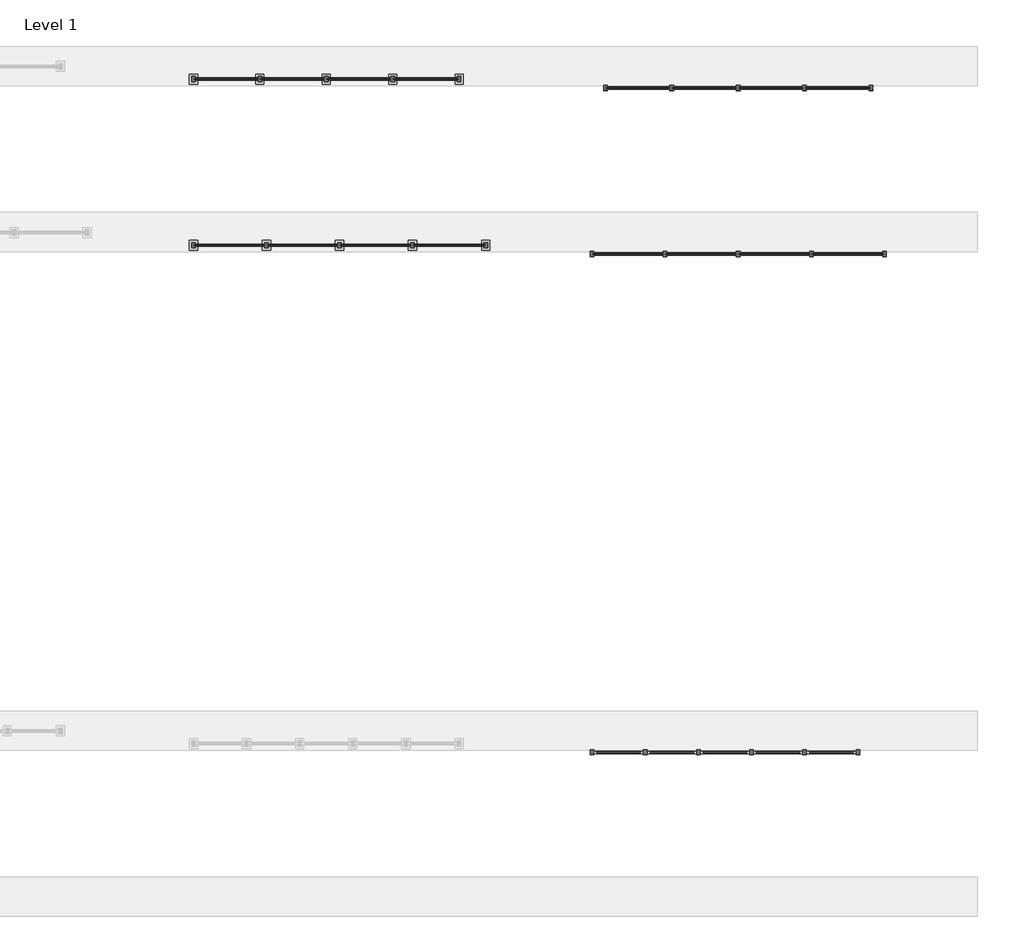
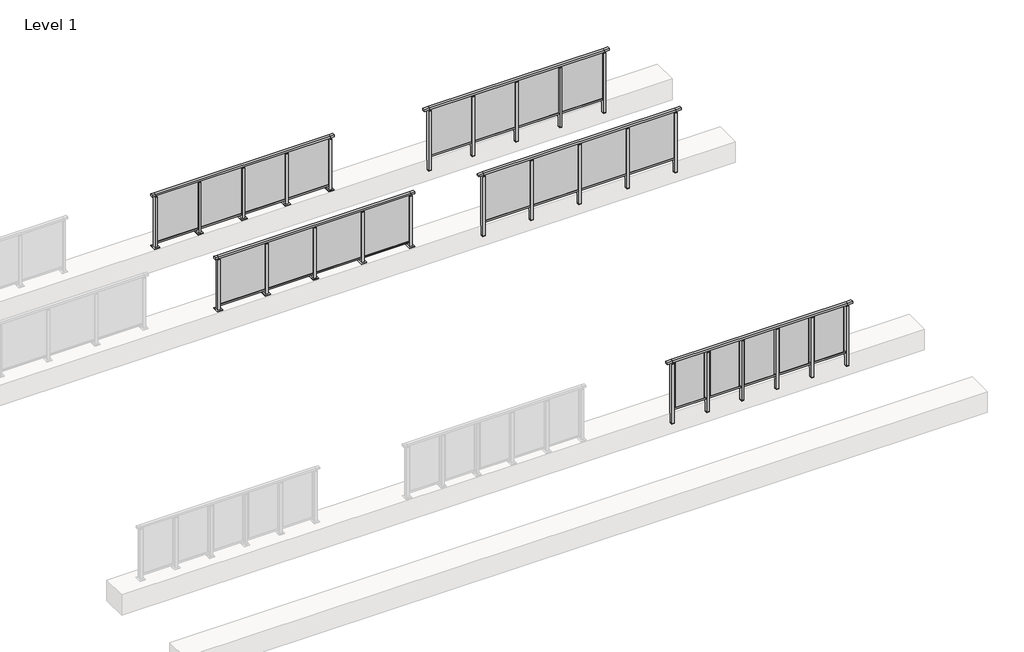
# One storey, part 36 of 38: 5 railings.
"""IFC4 building model written with IfcOpenShell, lengths in millimetres."""

from ifc_helpers import new_model, si_unit, frame, origin, origin_with_axes, place, context, project, spatial, polyline, outline, extrude, faceted_brep, element, save

model = new_model("IFC4")

# Units and contexts
model_context = context("Model", 3, world=origin())
ifc_project = project(units=[si_unit("LENGTHUNIT", "METRE", prefix="MILLI")], contexts=[model_context])

# Site, building, storey
site = spatial("IfcSite", under=ifc_project)
building = spatial("IfcBuilding", under=site)
storey = spatial("IfcBuildingStorey", under=building, Name="Level 1", Elevation=0.0)

# Railings
placement = place(None, origin())
element("IfcRailing", 1, at=placement, inside=storey, context=model_context, shape_type="SolidModel", body=[
    faceted_brep([(41476.1884576, 59897.6846828, 1252.5), (41476.1884576, 59897.6846828, 1300.0), (45876.1884576, 59897.6846828, 1300.0), (45876.1884576, 59897.6846828, 1252.5), (41476.1884576, 59837.6846828, 1252.5), (45876.1884576, 59837.6846828, 1252.5), (41476.1884576, 59837.6846828, 1300.0), (45876.1884576, 59837.6846828, 1300.0), (41353.1884576, 59897.6846828, 1300.0), (41353.1884576, 59897.6846828, 1252.5), (41353.1884576, 59837.6846828, 1252.5), (41353.1884576, 59837.6846828, 1300.0), (45999.1884576, 59897.6846828, 1300.0), (45999.1884576, 59837.6846828, 1300.0), (45999.1884576, 59837.6846828, 1252.5), (45999.1884576, 59897.6846828, 1252.5)], [[[0, 1, 2, 3]], [[4, 0, 3, 5]], [[6, 4, 5, 7]], [[1, 6, 7, 2]], [[8, 9, 10, 11]], [[9, 8, 1, 0]], [[10, 9, 0, 4]], [[11, 10, 4, 6]], [[8, 11, 6, 1]], [[12, 13, 14, 15]], [[3, 2, 12, 15]], [[5, 3, 15, 14]], [[7, 5, 14, 13]], [[2, 7, 13, 12]]]),
    extrude(outline(polyline([(41476.1884576, 59849.6846828), (41476.1884576, 59885.6846828), (45876.1884576, 59885.6846828), (45876.1884576, 59849.6846828), (41476.1884576, 59849.6846828)])), frame((0.0, 0.0, 93.0), z_axis=(0.0, 0.0, 1.0), x_axis=(1.0, 0.0, 0.0)), (0.0, 0.0, 1.0), 32.0),
    extrude(outline(polyline([(44786.1884576, 59861.9094929), (44786.1884576, 59871.9094929), (45866.1884576, 59871.9094929), (45866.1884576, 59861.9094929), (44786.1884576, 59861.9094929)])), frame((0.0, 0.0, 125.0), z_axis=(0.0, 0.0, 1.0), x_axis=(1.0, 0.0, 0.0)), (0.0, 0.0, 1.0), 1130.0),
    extrude(outline(polyline([(44803.1884576, 59906.6846828), (44803.1884576, 59828.6846828), (44749.1884576, 59828.6846828), (44749.1884576, 59906.6846828), (44803.1884576, 59906.6846828)])), frame((0.0, 0.0, 1227.0), z_axis=(0.0, 0.0, 1.0), x_axis=(1.0, 0.0, 0.0)), (0.0, 0.0, 1.0), 8.0),
    extrude(outline(polyline([(44786.1884576, 59877.6846828), (44786.1884576, 59857.6846828), (44766.1884576, 59857.6846828), (44766.1884576, 59877.6846828), (44786.1884576, 59877.6846828)])), frame((0.0, 0.0, 1235.0), z_axis=(0.0, 0.0, 1.0), x_axis=(1.0, 0.0, 0.0)), (0.0, 0.0, 1.0), 20.0),
    extrude(outline(polyline([(44803.1884576, 59906.6846828), (44803.1884576, 59828.6846828), (44749.1884576, 59828.6846828), (44749.1884576, 59906.6846828), (44803.1884576, 59906.6846828)])), frame((0.0, 0.0, -220.0), z_axis=(0.0, 0.0, 1.0), x_axis=(1.0, 0.0, 0.0)), (0.0, 0.0, 1.0), 8.0),
    extrude(outline(polyline([(44803.1884576, 59906.6846828), (44803.1884576, 59828.6846828), (44749.1884576, 59828.6846828), (44749.1884576, 59906.6846828), (44803.1884576, 59906.6846828)])), frame((0.0, 0.0, -212.0), z_axis=(0.0, 0.0, 1.0), x_axis=(1.0, 0.0, 0.0)), (0.0, 0.0, 1.0), 1439.0),
    extrude(outline(polyline([(43686.1884576, 59861.9094929), (43686.1884576, 59871.9094929), (44766.1884576, 59871.9094929), (44766.1884576, 59861.9094929), (43686.1884576, 59861.9094929)])), frame((0.0, 0.0, 125.0), z_axis=(0.0, 0.0, 1.0), x_axis=(1.0, 0.0, 0.0)), (0.0, 0.0, 1.0), 1130.0),
    extrude(outline(polyline([(43703.1884576, 59906.6846828), (43703.1884576, 59828.6846828), (43649.1884576, 59828.6846828), (43649.1884576, 59906.6846828), (43703.1884576, 59906.6846828)])), frame((0.0, 0.0, 1227.0), z_axis=(0.0, 0.0, 1.0), x_axis=(1.0, 0.0, 0.0)), (0.0, 0.0, 1.0), 8.0),
    extrude(outline(polyline([(43686.1884576, 59877.6846828), (43686.1884576, 59857.6846828), (43666.1884576, 59857.6846828), (43666.1884576, 59877.6846828), (43686.1884576, 59877.6846828)])), frame((0.0, 0.0, 1235.0), z_axis=(0.0, 0.0, 1.0), x_axis=(1.0, 0.0, 0.0)), (0.0, 0.0, 1.0), 20.0),
    extrude(outline(polyline([(43703.1884576, 59906.6846828), (43703.1884576, 59828.6846828), (43649.1884576, 59828.6846828), (43649.1884576, 59906.6846828), (43703.1884576, 59906.6846828)])), frame((0.0, 0.0, -220.0), z_axis=(0.0, 0.0, 1.0), x_axis=(1.0, 0.0, 0.0)), (0.0, 0.0, 1.0), 8.0),
    extrude(outline(polyline([(43703.1884576, 59906.6846828), (43703.1884576, 59828.6846828), (43649.1884576, 59828.6846828), (43649.1884576, 59906.6846828), (43703.1884576, 59906.6846828)])), frame((0.0, 0.0, -212.0), z_axis=(0.0, 0.0, 1.0), x_axis=(1.0, 0.0, 0.0)), (0.0, 0.0, 1.0), 1439.0),
    extrude(outline(polyline([(42586.1884576, 59861.9094929), (42586.1884576, 59871.9094929), (43666.1884576, 59871.9094929), (43666.1884576, 59861.9094929), (42586.1884576, 59861.9094929)])), frame((0.0, 0.0, 125.0), z_axis=(0.0, 0.0, 1.0), x_axis=(1.0, 0.0, 0.0)), (0.0, 0.0, 1.0), 1130.0),
    extrude(outline(polyline([(42603.1884576, 59906.6846828), (42603.1884576, 59828.6846828), (42549.1884576, 59828.6846828), (42549.1884576, 59906.6846828), (42603.1884576, 59906.6846828)])), frame((0.0, 0.0, 1227.0), z_axis=(0.0, 0.0, 1.0), x_axis=(1.0, 0.0, 0.0)), (0.0, 0.0, 1.0), 8.0),
    extrude(outline(polyline([(42586.1884576, 59877.6846828), (42586.1884576, 59857.6846828), (42566.1884576, 59857.6846828), (42566.1884576, 59877.6846828), (42586.1884576, 59877.6846828)])), frame((0.0, 0.0, 1235.0), z_axis=(0.0, 0.0, 1.0), x_axis=(1.0, 0.0, 0.0)), (0.0, 0.0, 1.0), 20.0),
    extrude(outline(polyline([(42603.1884576, 59906.6846828), (42603.1884576, 59828.6846828), (42549.1884576, 59828.6846828), (42549.1884576, 59906.6846828), (42603.1884576, 59906.6846828)])), frame((0.0, 0.0, -220.0), z_axis=(0.0, 0.0, 1.0), x_axis=(1.0, 0.0, 0.0)), (0.0, 0.0, 1.0), 8.0),
    extrude(outline(polyline([(42603.1884576, 59906.6846828), (42603.1884576, 59828.6846828), (42549.1884576, 59828.6846828), (42549.1884576, 59906.6846828), (42603.1884576, 59906.6846828)])), frame((0.0, 0.0, -212.0), z_axis=(0.0, 0.0, 1.0), x_axis=(1.0, 0.0, 0.0)), (0.0, 0.0, 1.0), 1439.0),
    extrude(outline(polyline([(41486.1884576, 59861.9094929), (41486.1884576, 59871.9094929), (42566.1884576, 59871.9094929), (42566.1884576, 59861.9094929), (41486.1884576, 59861.9094929)])), frame((0.0, 0.0, 125.0), z_axis=(0.0, 0.0, 1.0), x_axis=(1.0, 0.0, 0.0)), (0.0, 0.0, 1.0), 1130.0),
    extrude(outline(polyline([(45903.1884576, 59906.6846828), (45903.1884576, 59828.6846828), (45849.1884576, 59828.6846828), (45849.1884576, 59906.6846828), (45903.1884576, 59906.6846828)])), frame((0.0, 0.0, 1227.0), z_axis=(0.0, 0.0, 1.0), x_axis=(1.0, 0.0, 0.0)), (0.0, 0.0, 1.0), 8.0),
    extrude(outline(polyline([(45886.1884576, 59877.6846828), (45886.1884576, 59857.6846828), (45866.1884576, 59857.6846828), (45866.1884576, 59877.6846828), (45886.1884576, 59877.6846828)])), frame((0.0, 0.0, 1235.0), z_axis=(0.0, 0.0, 1.0), x_axis=(1.0, 0.0, 0.0)), (0.0, 0.0, 1.0), 20.0),
    extrude(outline(polyline([(45903.1884576, 59906.6846828), (45903.1884576, 59828.6846828), (45849.1884576, 59828.6846828), (45849.1884576, 59906.6846828), (45903.1884576, 59906.6846828)])), frame((0.0, 0.0, -220.0), z_axis=(0.0, 0.0, 1.0), x_axis=(1.0, 0.0, 0.0)), (0.0, 0.0, 1.0), 8.0),
    extrude(outline(polyline([(45903.1884576, 59906.6846828), (45903.1884576, 59828.6846828), (45849.1884576, 59828.6846828), (45849.1884576, 59906.6846828), (45903.1884576, 59906.6846828)])), frame((0.0, 0.0, -212.0), z_axis=(0.0, 0.0, 1.0), x_axis=(1.0, 0.0, 0.0)), (0.0, 0.0, 1.0), 1439.0),
    extrude(outline(polyline([(41503.1884576, 59906.6846828), (41503.1884576, 59828.6846828), (41449.1884576, 59828.6846828), (41449.1884576, 59906.6846828), (41503.1884576, 59906.6846828)])), frame((0.0, 0.0, 1227.0), z_axis=(0.0, 0.0, 1.0), x_axis=(1.0, 0.0, 0.0)), (0.0, 0.0, 1.0), 8.0),
    extrude(outline(polyline([(41486.1884576, 59877.6846828), (41486.1884576, 59857.6846828), (41466.1884576, 59857.6846828), (41466.1884576, 59877.6846828), (41486.1884576, 59877.6846828)])), frame((0.0, 0.0, 1235.0), z_axis=(0.0, 0.0, 1.0), x_axis=(1.0, 0.0, 0.0)), (0.0, 0.0, 1.0), 20.0),
    extrude(outline(polyline([(41503.1884576, 59906.6846828), (41503.1884576, 59828.6846828), (41449.1884576, 59828.6846828), (41449.1884576, 59906.6846828), (41503.1884576, 59906.6846828)])), frame((0.0, 0.0, -220.0), z_axis=(0.0, 0.0, 1.0), x_axis=(1.0, 0.0, 0.0)), (0.0, 0.0, 1.0), 8.0),
    extrude(outline(polyline([(41503.1884576, 59906.6846828), (41503.1884576, 59828.6846828), (41449.1884576, 59828.6846828), (41449.1884576, 59906.6846828), (41503.1884576, 59906.6846828)])), frame((0.0, 0.0, -212.0), z_axis=(0.0, 0.0, 1.0), x_axis=(1.0, 0.0, 0.0)), (0.0, 0.0, 1.0), 1439.0),
])
element("IfcRailing", 2, at=placement, inside=storey, context=model_context, shape_type="SolidModel", body=[
    faceted_brep([(35476.1884576, 60030.1846828, 1252.5), (35476.1884576, 60030.1846828, 1300.0), (39876.1884576, 60030.1846828, 1300.0), (39876.1884576, 60030.1846828, 1252.5), (35476.1884576, 59970.1846828, 1252.5), (39876.1884576, 59970.1846828, 1252.5), (35476.1884576, 59970.1846828, 1300.0), (39876.1884576, 59970.1846828, 1300.0), (35388.6884576, 60030.1846828, 1300.0), (35388.6884576, 60030.1846828, 1252.5), (35388.6884576, 59970.1846828, 1252.5), (35388.6884576, 59970.1846828, 1300.0), (39963.6884576, 60030.1846828, 1300.0), (39963.6884576, 59970.1846828, 1300.0), (39963.6884576, 59970.1846828, 1252.5), (39963.6884576, 60030.1846828, 1252.5)], [[[0, 1, 2, 3]], [[4, 0, 3, 5]], [[6, 4, 5, 7]], [[1, 6, 7, 2]], [[8, 9, 10, 11]], [[9, 8, 1, 0]], [[10, 9, 0, 4]], [[11, 10, 4, 6]], [[8, 11, 6, 1]], [[12, 13, 14, 15]], [[3, 2, 12, 15]], [[5, 3, 15, 14]], [[7, 5, 14, 13]], [[2, 7, 13, 12]]]),
    extrude(outline(polyline([(35476.1884576, 59982.1846828), (35476.1884576, 60018.1846828), (39876.1884576, 60018.1846828), (39876.1884576, 59982.1846828), (35476.1884576, 59982.1846828)])), frame((0.0, 0.0, 93.0), z_axis=(0.0, 0.0, 1.0), x_axis=(1.0, 0.0, 0.0)), (0.0, 0.0, 1.0), 32.0),
    extrude(outline(polyline([(38786.1884576, 60005.9598727), (39866.1884576, 60005.9598727), (39866.1884576, 59995.9598727), (38786.1884576, 59995.9598727), (38786.1884576, 60005.9598727)])), frame((0.0, 0.0, 125.0), z_axis=(0.0, 0.0, 1.0), x_axis=(1.0, 0.0, 0.0)), (0.0, 0.0, 1.0), 1130.0),
    extrude(outline(polyline([(38803.1884576, 59961.1846828), (38749.1884576, 59961.1846828), (38749.1884576, 60039.1846828), (38803.1884576, 60039.1846828), (38803.1884576, 59961.1846828)])), frame((0.0, 0.0, 12.0), z_axis=(0.0, 0.0, 1.0), x_axis=(1.0, 0.0, 0.0)), (0.0, 0.0, 1.0), 1215.0),
    extrude(outline(polyline([(38786.1884576, 59990.1846828), (38766.1884576, 59990.1846828), (38766.1884576, 60010.1846828), (38786.1884576, 60010.1846828), (38786.1884576, 59990.1846828)])), frame((0.0, 0.0, 1235.0), z_axis=(0.0, 0.0, 1.0), x_axis=(1.0, 0.0, 0.0)), (0.0, 0.0, 1.0), 20.0),
    extrude(outline(polyline([(38803.1884576, 59961.1846828), (38749.1884576, 59961.1846828), (38749.1884576, 60039.1846828), (38803.1884576, 60039.1846828), (38803.1884576, 59961.1846828)])), frame((0.0, 0.0, 1227.0), z_axis=(0.0, 0.0, 1.0), x_axis=(1.0, 0.0, 0.0)), (0.0, 0.0, 1.0), 8.0),
    extrude(outline(polyline([(38838.6884576, 59925.1846828), (38713.6884576, 59925.1846828), (38713.6884576, 60075.1846828), (38838.6884576, 60075.1846828), (38838.6884576, 59925.1846828)])), origin_with_axes(), (0.0, 0.0, 1.0), 12.0),
    extrude(outline(polyline([(37686.1884576, 60005.9598727), (38766.1884576, 60005.9598727), (38766.1884576, 59995.9598727), (37686.1884576, 59995.9598727), (37686.1884576, 60005.9598727)])), frame((0.0, 0.0, 125.0), z_axis=(0.0, 0.0, 1.0), x_axis=(1.0, 0.0, 0.0)), (0.0, 0.0, 1.0), 1130.0),
    extrude(outline(polyline([(37703.1884576, 59961.1846828), (37649.1884576, 59961.1846828), (37649.1884576, 60039.1846828), (37703.1884576, 60039.1846828), (37703.1884576, 59961.1846828)])), frame((0.0, 0.0, 12.0), z_axis=(0.0, 0.0, 1.0), x_axis=(1.0, 0.0, 0.0)), (0.0, 0.0, 1.0), 1215.0),
    extrude(outline(polyline([(37686.1884576, 59990.1846828), (37666.1884576, 59990.1846828), (37666.1884576, 60010.1846828), (37686.1884576, 60010.1846828), (37686.1884576, 59990.1846828)])), frame((0.0, 0.0, 1235.0), z_axis=(0.0, 0.0, 1.0), x_axis=(1.0, 0.0, 0.0)), (0.0, 0.0, 1.0), 20.0),
    extrude(outline(polyline([(37703.1884576, 59961.1846828), (37649.1884576, 59961.1846828), (37649.1884576, 60039.1846828), (37703.1884576, 60039.1846828), (37703.1884576, 59961.1846828)])), frame((0.0, 0.0, 1227.0), z_axis=(0.0, 0.0, 1.0), x_axis=(1.0, 0.0, 0.0)), (0.0, 0.0, 1.0), 8.0),
    extrude(outline(polyline([(37738.6884576, 59925.1846828), (37613.6884576, 59925.1846828), (37613.6884576, 60075.1846828), (37738.6884576, 60075.1846828), (37738.6884576, 59925.1846828)])), origin_with_axes(), (0.0, 0.0, 1.0), 12.0),
    extrude(outline(polyline([(36586.1884576, 60005.9598727), (37666.1884576, 60005.9598727), (37666.1884576, 59995.9598727), (36586.1884576, 59995.9598727), (36586.1884576, 60005.9598727)])), frame((0.0, 0.0, 125.0), z_axis=(0.0, 0.0, 1.0), x_axis=(1.0, 0.0, 0.0)), (0.0, 0.0, 1.0), 1130.0),
    extrude(outline(polyline([(36603.1884576, 59961.1846828), (36549.1884576, 59961.1846828), (36549.1884576, 60039.1846828), (36603.1884576, 60039.1846828), (36603.1884576, 59961.1846828)])), frame((0.0, 0.0, 12.0), z_axis=(0.0, 0.0, 1.0), x_axis=(1.0, 0.0, 0.0)), (0.0, 0.0, 1.0), 1215.0),
    extrude(outline(polyline([(36586.1884576, 59990.1846828), (36566.1884576, 59990.1846828), (36566.1884576, 60010.1846828), (36586.1884576, 60010.1846828), (36586.1884576, 59990.1846828)])), frame((0.0, 0.0, 1235.0), z_axis=(0.0, 0.0, 1.0), x_axis=(1.0, 0.0, 0.0)), (0.0, 0.0, 1.0), 20.0),
    extrude(outline(polyline([(36603.1884576, 59961.1846828), (36549.1884576, 59961.1846828), (36549.1884576, 60039.1846828), (36603.1884576, 60039.1846828), (36603.1884576, 59961.1846828)])), frame((0.0, 0.0, 1227.0), z_axis=(0.0, 0.0, 1.0), x_axis=(1.0, 0.0, 0.0)), (0.0, 0.0, 1.0), 8.0),
    extrude(outline(polyline([(36638.6884576, 59925.1846828), (36513.6884576, 59925.1846828), (36513.6884576, 60075.1846828), (36638.6884576, 60075.1846828), (36638.6884576, 59925.1846828)])), origin_with_axes(), (0.0, 0.0, 1.0), 12.0),
    extrude(outline(polyline([(35486.1884576, 60005.9598727), (36566.1884576, 60005.9598727), (36566.1884576, 59995.9598727), (35486.1884576, 59995.9598727), (35486.1884576, 60005.9598727)])), frame((0.0, 0.0, 125.0), z_axis=(0.0, 0.0, 1.0), x_axis=(1.0, 0.0, 0.0)), (0.0, 0.0, 1.0), 1130.0),
    extrude(outline(polyline([(39903.1884576, 59961.1846828), (39849.1884576, 59961.1846828), (39849.1884576, 60039.1846828), (39903.1884576, 60039.1846828), (39903.1884576, 59961.1846828)])), frame((0.0, 0.0, 12.0), z_axis=(0.0, 0.0, 1.0), x_axis=(1.0, 0.0, 0.0)), (0.0, 0.0, 1.0), 1215.0),
    extrude(outline(polyline([(39886.1884576, 59990.1846828), (39866.1884576, 59990.1846828), (39866.1884576, 60010.1846828), (39886.1884576, 60010.1846828), (39886.1884576, 59990.1846828)])), frame((0.0, 0.0, 1235.0), z_axis=(0.0, 0.0, 1.0), x_axis=(1.0, 0.0, 0.0)), (0.0, 0.0, 1.0), 20.0),
    extrude(outline(polyline([(39903.1884576, 59961.1846828), (39849.1884576, 59961.1846828), (39849.1884576, 60039.1846828), (39903.1884576, 60039.1846828), (39903.1884576, 59961.1846828)])), frame((0.0, 0.0, 1227.0), z_axis=(0.0, 0.0, 1.0), x_axis=(1.0, 0.0, 0.0)), (0.0, 0.0, 1.0), 8.0),
    extrude(outline(polyline([(39938.6884576, 59925.1846828), (39813.6884576, 59925.1846828), (39813.6884576, 60075.1846828), (39938.6884576, 60075.1846828), (39938.6884576, 59925.1846828)])), origin_with_axes(), (0.0, 0.0, 1.0), 12.0),
    extrude(outline(polyline([(35503.1884576, 59961.1846828), (35449.1884576, 59961.1846828), (35449.1884576, 60039.1846828), (35503.1884576, 60039.1846828), (35503.1884576, 59961.1846828)])), frame((0.0, 0.0, 12.0), z_axis=(0.0, 0.0, 1.0), x_axis=(1.0, 0.0, 0.0)), (0.0, 0.0, 1.0), 1215.0),
    extrude(outline(polyline([(35486.1884576, 59990.1846828), (35466.1884576, 59990.1846828), (35466.1884576, 60010.1846828), (35486.1884576, 60010.1846828), (35486.1884576, 59990.1846828)])), frame((0.0, 0.0, 1235.0), z_axis=(0.0, 0.0, 1.0), x_axis=(1.0, 0.0, 0.0)), (0.0, 0.0, 1.0), 20.0),
    extrude(outline(polyline([(35503.1884576, 59961.1846828), (35449.1884576, 59961.1846828), (35449.1884576, 60039.1846828), (35503.1884576, 60039.1846828), (35503.1884576, 59961.1846828)])), frame((0.0, 0.0, 1227.0), z_axis=(0.0, 0.0, 1.0), x_axis=(1.0, 0.0, 0.0)), (0.0, 0.0, 1.0), 8.0),
    extrude(outline(polyline([(35538.6884576, 59925.1846828), (35413.6884576, 59925.1846828), (35413.6884576, 60075.1846828), (35538.6884576, 60075.1846828), (35538.6884576, 59925.1846828)])), origin_with_axes(), (0.0, 0.0, 1.0), 12.0),
])
element("IfcRailing", 3, at=placement, inside=storey, context=model_context, shape_type="SolidModel", body=[
    faceted_brep([(41676.1884576, 62397.6846828, 1252.5), (41676.1884576, 62397.6846828, 1300.0), (45676.1884576, 62397.6846828, 1300.0), (45676.1884576, 62397.6846828, 1252.5), (41676.1884576, 62337.6846828, 1252.5), (45676.1884576, 62337.6846828, 1252.5), (41676.1884576, 62337.6846828, 1300.0), (45676.1884576, 62337.6846828, 1300.0), (41553.1884576, 62397.6846828, 1300.0), (41553.1884576, 62397.6846828, 1252.5), (41553.1884576, 62337.6846828, 1252.5), (41553.1884576, 62337.6846828, 1300.0), (45799.1884576, 62397.6846828, 1300.0), (45799.1884576, 62337.6846828, 1300.0), (45799.1884576, 62337.6846828, 1252.5), (45799.1884576, 62397.6846828, 1252.5)], [[[0, 1, 2, 3]], [[4, 0, 3, 5]], [[6, 4, 5, 7]], [[1, 6, 7, 2]], [[8, 9, 10, 11]], [[9, 8, 1, 0]], [[10, 9, 0, 4]], [[11, 10, 4, 6]], [[8, 11, 6, 1]], [[12, 13, 14, 15]], [[3, 2, 12, 15]], [[5, 3, 15, 14]], [[7, 5, 14, 13]], [[2, 7, 13, 12]]]),
    extrude(outline(polyline([(41676.1884576, 62349.6846828), (41676.1884576, 62385.6846828), (45676.1884576, 62385.6846828), (45676.1884576, 62349.6846828), (41676.1884576, 62349.6846828)])), frame((0.0, 0.0, 93.0), z_axis=(0.0, 0.0, 1.0), x_axis=(1.0, 0.0, 0.0)), (0.0, 0.0, 1.0), 32.0),
    extrude(outline(polyline([(44686.1884576, 62361.9094929), (44686.1884576, 62371.9094929), (45666.1884576, 62371.9094929), (45666.1884576, 62361.9094929), (44686.1884576, 62361.9094929)])), frame((0.0, 0.0, 125.0), z_axis=(0.0, 0.0, 1.0), x_axis=(1.0, 0.0, 0.0)), (0.0, 0.0, 1.0), 1130.0),
    extrude(outline(polyline([(44703.1884576, 62406.6846828), (44703.1884576, 62328.6846828), (44649.1884576, 62328.6846828), (44649.1884576, 62406.6846828), (44703.1884576, 62406.6846828)])), frame((0.0, 0.0, 1227.0), z_axis=(0.0, 0.0, 1.0), x_axis=(1.0, 0.0, 0.0)), (0.0, 0.0, 1.0), 8.0),
    extrude(outline(polyline([(44686.1884576, 62377.6846828), (44686.1884576, 62357.6846828), (44666.1884576, 62357.6846828), (44666.1884576, 62377.6846828), (44686.1884576, 62377.6846828)])), frame((0.0, 0.0, 1235.0), z_axis=(0.0, 0.0, 1.0), x_axis=(1.0, 0.0, 0.0)), (0.0, 0.0, 1.0), 20.0),
    extrude(outline(polyline([(44703.1884576, 62406.6846828), (44703.1884576, 62328.6846828), (44649.1884576, 62328.6846828), (44649.1884576, 62406.6846828), (44703.1884576, 62406.6846828)])), frame((0.0, 0.0, -220.0), z_axis=(0.0, 0.0, 1.0), x_axis=(1.0, 0.0, 0.0)), (0.0, 0.0, 1.0), 8.0),
    extrude(outline(polyline([(44703.1884576, 62406.6846828), (44703.1884576, 62328.6846828), (44649.1884576, 62328.6846828), (44649.1884576, 62406.6846828), (44703.1884576, 62406.6846828)])), frame((0.0, 0.0, -212.0), z_axis=(0.0, 0.0, 1.0), x_axis=(1.0, 0.0, 0.0)), (0.0, 0.0, 1.0), 1439.0),
    extrude(outline(polyline([(43686.1884576, 62361.9094929), (43686.1884576, 62371.9094929), (44666.1884576, 62371.9094929), (44666.1884576, 62361.9094929), (43686.1884576, 62361.9094929)])), frame((0.0, 0.0, 125.0), z_axis=(0.0, 0.0, 1.0), x_axis=(1.0, 0.0, 0.0)), (0.0, 0.0, 1.0), 1130.0),
    extrude(outline(polyline([(43703.1884576, 62406.6846828), (43703.1884576, 62328.6846828), (43649.1884576, 62328.6846828), (43649.1884576, 62406.6846828), (43703.1884576, 62406.6846828)])), frame((0.0, 0.0, 1227.0), z_axis=(0.0, 0.0, 1.0), x_axis=(1.0, 0.0, 0.0)), (0.0, 0.0, 1.0), 8.0),
    extrude(outline(polyline([(43686.1884576, 62377.6846828), (43686.1884576, 62357.6846828), (43666.1884576, 62357.6846828), (43666.1884576, 62377.6846828), (43686.1884576, 62377.6846828)])), frame((0.0, 0.0, 1235.0), z_axis=(0.0, 0.0, 1.0), x_axis=(1.0, 0.0, 0.0)), (0.0, 0.0, 1.0), 20.0),
    extrude(outline(polyline([(43703.1884576, 62406.6846828), (43703.1884576, 62328.6846828), (43649.1884576, 62328.6846828), (43649.1884576, 62406.6846828), (43703.1884576, 62406.6846828)])), frame((0.0, 0.0, -220.0), z_axis=(0.0, 0.0, 1.0), x_axis=(1.0, 0.0, 0.0)), (0.0, 0.0, 1.0), 8.0),
    extrude(outline(polyline([(43703.1884576, 62406.6846828), (43703.1884576, 62328.6846828), (43649.1884576, 62328.6846828), (43649.1884576, 62406.6846828), (43703.1884576, 62406.6846828)])), frame((0.0, 0.0, -212.0), z_axis=(0.0, 0.0, 1.0), x_axis=(1.0, 0.0, 0.0)), (0.0, 0.0, 1.0), 1439.0),
    extrude(outline(polyline([(42686.1884576, 62361.9094929), (42686.1884576, 62371.9094929), (43666.1884576, 62371.9094929), (43666.1884576, 62361.9094929), (42686.1884576, 62361.9094929)])), frame((0.0, 0.0, 125.0), z_axis=(0.0, 0.0, 1.0), x_axis=(1.0, 0.0, 0.0)), (0.0, 0.0, 1.0), 1130.0),
    extrude(outline(polyline([(42703.1884576, 62406.6846828), (42703.1884576, 62328.6846828), (42649.1884576, 62328.6846828), (42649.1884576, 62406.6846828), (42703.1884576, 62406.6846828)])), frame((0.0, 0.0, 1227.0), z_axis=(0.0, 0.0, 1.0), x_axis=(1.0, 0.0, 0.0)), (0.0, 0.0, 1.0), 8.0),
    extrude(outline(polyline([(42686.1884576, 62377.6846828), (42686.1884576, 62357.6846828), (42666.1884576, 62357.6846828), (42666.1884576, 62377.6846828), (42686.1884576, 62377.6846828)])), frame((0.0, 0.0, 1235.0), z_axis=(0.0, 0.0, 1.0), x_axis=(1.0, 0.0, 0.0)), (0.0, 0.0, 1.0), 20.0),
    extrude(outline(polyline([(42703.1884576, 62406.6846828), (42703.1884576, 62328.6846828), (42649.1884576, 62328.6846828), (42649.1884576, 62406.6846828), (42703.1884576, 62406.6846828)])), frame((0.0, 0.0, -220.0), z_axis=(0.0, 0.0, 1.0), x_axis=(1.0, 0.0, 0.0)), (0.0, 0.0, 1.0), 8.0),
    extrude(outline(polyline([(42703.1884576, 62406.6846828), (42703.1884576, 62328.6846828), (42649.1884576, 62328.6846828), (42649.1884576, 62406.6846828), (42703.1884576, 62406.6846828)])), frame((0.0, 0.0, -212.0), z_axis=(0.0, 0.0, 1.0), x_axis=(1.0, 0.0, 0.0)), (0.0, 0.0, 1.0), 1439.0),
    extrude(outline(polyline([(41686.1884576, 62361.9094929), (41686.1884576, 62371.9094929), (42666.1884576, 62371.9094929), (42666.1884576, 62361.9094929), (41686.1884576, 62361.9094929)])), frame((0.0, 0.0, 125.0), z_axis=(0.0, 0.0, 1.0), x_axis=(1.0, 0.0, 0.0)), (0.0, 0.0, 1.0), 1130.0),
    extrude(outline(polyline([(45703.1884576, 62406.6846828), (45703.1884576, 62328.6846828), (45649.1884576, 62328.6846828), (45649.1884576, 62406.6846828), (45703.1884576, 62406.6846828)])), frame((0.0, 0.0, 1227.0), z_axis=(0.0, 0.0, 1.0), x_axis=(1.0, 0.0, 0.0)), (0.0, 0.0, 1.0), 8.0),
    extrude(outline(polyline([(45686.1884576, 62377.6846828), (45686.1884576, 62357.6846828), (45666.1884576, 62357.6846828), (45666.1884576, 62377.6846828), (45686.1884576, 62377.6846828)])), frame((0.0, 0.0, 1235.0), z_axis=(0.0, 0.0, 1.0), x_axis=(1.0, 0.0, 0.0)), (0.0, 0.0, 1.0), 20.0),
    extrude(outline(polyline([(45703.1884576, 62406.6846828), (45703.1884576, 62328.6846828), (45649.1884576, 62328.6846828), (45649.1884576, 62406.6846828), (45703.1884576, 62406.6846828)])), frame((0.0, 0.0, -220.0), z_axis=(0.0, 0.0, 1.0), x_axis=(1.0, 0.0, 0.0)), (0.0, 0.0, 1.0), 8.0),
    extrude(outline(polyline([(45703.1884576, 62406.6846828), (45703.1884576, 62328.6846828), (45649.1884576, 62328.6846828), (45649.1884576, 62406.6846828), (45703.1884576, 62406.6846828)])), frame((0.0, 0.0, -212.0), z_axis=(0.0, 0.0, 1.0), x_axis=(1.0, 0.0, 0.0)), (0.0, 0.0, 1.0), 1439.0),
    extrude(outline(polyline([(41703.1884576, 62406.6846828), (41703.1884576, 62328.6846828), (41649.1884576, 62328.6846828), (41649.1884576, 62406.6846828), (41703.1884576, 62406.6846828)])), frame((0.0, 0.0, 1227.0), z_axis=(0.0, 0.0, 1.0), x_axis=(1.0, 0.0, 0.0)), (0.0, 0.0, 1.0), 8.0),
    extrude(outline(polyline([(41686.1884576, 62377.6846828), (41686.1884576, 62357.6846828), (41666.1884576, 62357.6846828), (41666.1884576, 62377.6846828), (41686.1884576, 62377.6846828)])), frame((0.0, 0.0, 1235.0), z_axis=(0.0, 0.0, 1.0), x_axis=(1.0, 0.0, 0.0)), (0.0, 0.0, 1.0), 20.0),
    extrude(outline(polyline([(41703.1884576, 62406.6846828), (41703.1884576, 62328.6846828), (41649.1884576, 62328.6846828), (41649.1884576, 62406.6846828), (41703.1884576, 62406.6846828)])), frame((0.0, 0.0, -220.0), z_axis=(0.0, 0.0, 1.0), x_axis=(1.0, 0.0, 0.0)), (0.0, 0.0, 1.0), 8.0),
    extrude(outline(polyline([(41703.1884576, 62406.6846828), (41703.1884576, 62328.6846828), (41649.1884576, 62328.6846828), (41649.1884576, 62406.6846828), (41703.1884576, 62406.6846828)])), frame((0.0, 0.0, -212.0), z_axis=(0.0, 0.0, 1.0), x_axis=(1.0, 0.0, 0.0)), (0.0, 0.0, 1.0), 1439.0),
])
element("IfcRailing", 4, at=placement, inside=storey, context=model_context, shape_type="SolidModel", body=[
    faceted_brep([(35476.1884576, 62530.1846828, 1252.5), (35476.1884576, 62530.1846828, 1300.0), (39476.1884576, 62530.1846828, 1300.0), (39476.1884576, 62530.1846828, 1252.5), (35476.1884576, 62470.1846828, 1252.5), (39476.1884576, 62470.1846828, 1252.5), (35476.1884576, 62470.1846828, 1300.0), (39476.1884576, 62470.1846828, 1300.0), (35388.6884576, 62530.1846828, 1300.0), (35388.6884576, 62530.1846828, 1252.5), (35388.6884576, 62470.1846828, 1252.5), (35388.6884576, 62470.1846828, 1300.0), (39563.6884576, 62530.1846828, 1300.0), (39563.6884576, 62470.1846828, 1300.0), (39563.6884576, 62470.1846828, 1252.5), (39563.6884576, 62530.1846828, 1252.5)], [[[0, 1, 2, 3]], [[4, 0, 3, 5]], [[6, 4, 5, 7]], [[1, 6, 7, 2]], [[8, 9, 10, 11]], [[9, 8, 1, 0]], [[10, 9, 0, 4]], [[11, 10, 4, 6]], [[8, 11, 6, 1]], [[12, 13, 14, 15]], [[3, 2, 12, 15]], [[5, 3, 15, 14]], [[7, 5, 14, 13]], [[2, 7, 13, 12]]]),
    extrude(outline(polyline([(35476.1884576, 62482.1846828), (35476.1884576, 62518.1846828), (39476.1884576, 62518.1846828), (39476.1884576, 62482.1846828), (35476.1884576, 62482.1846828)])), frame((0.0, 0.0, 93.0), z_axis=(0.0, 0.0, 1.0), x_axis=(1.0, 0.0, 0.0)), (0.0, 0.0, 1.0), 32.0),
    extrude(outline(polyline([(38486.1884576, 62505.9598727), (39466.1884576, 62505.9598727), (39466.1884576, 62495.9598727), (38486.1884576, 62495.9598727), (38486.1884576, 62505.9598727)])), frame((0.0, 0.0, 125.0), z_axis=(0.0, 0.0, 1.0), x_axis=(1.0, 0.0, 0.0)), (0.0, 0.0, 1.0), 1130.0),
    extrude(outline(polyline([(38503.1884576, 62461.1846828), (38449.1884576, 62461.1846828), (38449.1884576, 62539.1846828), (38503.1884576, 62539.1846828), (38503.1884576, 62461.1846828)])), frame((0.0, 0.0, 12.0), z_axis=(0.0, 0.0, 1.0), x_axis=(1.0, 0.0, 0.0)), (0.0, 0.0, 1.0), 1215.0),
    extrude(outline(polyline([(38486.1884576, 62490.1846828), (38466.1884576, 62490.1846828), (38466.1884576, 62510.1846828), (38486.1884576, 62510.1846828), (38486.1884576, 62490.1846828)])), frame((0.0, 0.0, 1235.0), z_axis=(0.0, 0.0, 1.0), x_axis=(1.0, 0.0, 0.0)), (0.0, 0.0, 1.0), 20.0),
    extrude(outline(polyline([(38503.1884576, 62461.1846828), (38449.1884576, 62461.1846828), (38449.1884576, 62539.1846828), (38503.1884576, 62539.1846828), (38503.1884576, 62461.1846828)])), frame((0.0, 0.0, 1227.0), z_axis=(0.0, 0.0, 1.0), x_axis=(1.0, 0.0, 0.0)), (0.0, 0.0, 1.0), 8.0),
    extrude(outline(polyline([(38538.6884576, 62425.1846828), (38413.6884576, 62425.1846828), (38413.6884576, 62575.1846828), (38538.6884576, 62575.1846828), (38538.6884576, 62425.1846828)])), origin_with_axes(), (0.0, 0.0, 1.0), 12.0),
    extrude(outline(polyline([(37486.1884576, 62505.9598727), (38466.1884576, 62505.9598727), (38466.1884576, 62495.9598727), (37486.1884576, 62495.9598727), (37486.1884576, 62505.9598727)])), frame((0.0, 0.0, 125.0), z_axis=(0.0, 0.0, 1.0), x_axis=(1.0, 0.0, 0.0)), (0.0, 0.0, 1.0), 1130.0),
    extrude(outline(polyline([(37503.1884576, 62461.1846828), (37449.1884576, 62461.1846828), (37449.1884576, 62539.1846828), (37503.1884576, 62539.1846828), (37503.1884576, 62461.1846828)])), frame((0.0, 0.0, 12.0), z_axis=(0.0, 0.0, 1.0), x_axis=(1.0, 0.0, 0.0)), (0.0, 0.0, 1.0), 1215.0),
    extrude(outline(polyline([(37486.1884576, 62490.1846828), (37466.1884576, 62490.1846828), (37466.1884576, 62510.1846828), (37486.1884576, 62510.1846828), (37486.1884576, 62490.1846828)])), frame((0.0, 0.0, 1235.0), z_axis=(0.0, 0.0, 1.0), x_axis=(1.0, 0.0, 0.0)), (0.0, 0.0, 1.0), 20.0),
    extrude(outline(polyline([(37503.1884576, 62461.1846828), (37449.1884576, 62461.1846828), (37449.1884576, 62539.1846828), (37503.1884576, 62539.1846828), (37503.1884576, 62461.1846828)])), frame((0.0, 0.0, 1227.0), z_axis=(0.0, 0.0, 1.0), x_axis=(1.0, 0.0, 0.0)), (0.0, 0.0, 1.0), 8.0),
    extrude(outline(polyline([(37538.6884576, 62425.1846828), (37413.6884576, 62425.1846828), (37413.6884576, 62575.1846828), (37538.6884576, 62575.1846828), (37538.6884576, 62425.1846828)])), origin_with_axes(), (0.0, 0.0, 1.0), 12.0),
    extrude(outline(polyline([(36486.1884576, 62505.9598727), (37466.1884576, 62505.9598727), (37466.1884576, 62495.9598727), (36486.1884576, 62495.9598727), (36486.1884576, 62505.9598727)])), frame((0.0, 0.0, 125.0), z_axis=(0.0, 0.0, 1.0), x_axis=(1.0, 0.0, 0.0)), (0.0, 0.0, 1.0), 1130.0),
    extrude(outline(polyline([(36503.1884576, 62461.1846828), (36449.1884576, 62461.1846828), (36449.1884576, 62539.1846828), (36503.1884576, 62539.1846828), (36503.1884576, 62461.1846828)])), frame((0.0, 0.0, 12.0), z_axis=(0.0, 0.0, 1.0), x_axis=(1.0, 0.0, 0.0)), (0.0, 0.0, 1.0), 1215.0),
    extrude(outline(polyline([(36486.1884576, 62490.1846828), (36466.1884576, 62490.1846828), (36466.1884576, 62510.1846828), (36486.1884576, 62510.1846828), (36486.1884576, 62490.1846828)])), frame((0.0, 0.0, 1235.0), z_axis=(0.0, 0.0, 1.0), x_axis=(1.0, 0.0, 0.0)), (0.0, 0.0, 1.0), 20.0),
    extrude(outline(polyline([(36503.1884576, 62461.1846828), (36449.1884576, 62461.1846828), (36449.1884576, 62539.1846828), (36503.1884576, 62539.1846828), (36503.1884576, 62461.1846828)])), frame((0.0, 0.0, 1227.0), z_axis=(0.0, 0.0, 1.0), x_axis=(1.0, 0.0, 0.0)), (0.0, 0.0, 1.0), 8.0),
    extrude(outline(polyline([(36538.6884576, 62425.1846828), (36413.6884576, 62425.1846828), (36413.6884576, 62575.1846828), (36538.6884576, 62575.1846828), (36538.6884576, 62425.1846828)])), origin_with_axes(), (0.0, 0.0, 1.0), 12.0),
    extrude(outline(polyline([(35486.1884576, 62505.9598727), (36466.1884576, 62505.9598727), (36466.1884576, 62495.9598727), (35486.1884576, 62495.9598727), (35486.1884576, 62505.9598727)])), frame((0.0, 0.0, 125.0), z_axis=(0.0, 0.0, 1.0), x_axis=(1.0, 0.0, 0.0)), (0.0, 0.0, 1.0), 1130.0),
    extrude(outline(polyline([(39503.1884576, 62461.1846828), (39449.1884576, 62461.1846828), (39449.1884576, 62539.1846828), (39503.1884576, 62539.1846828), (39503.1884576, 62461.1846828)])), frame((0.0, 0.0, 12.0), z_axis=(0.0, 0.0, 1.0), x_axis=(1.0, 0.0, 0.0)), (0.0, 0.0, 1.0), 1215.0),
    extrude(outline(polyline([(39486.1884576, 62490.1846828), (39466.1884576, 62490.1846828), (39466.1884576, 62510.1846828), (39486.1884576, 62510.1846828), (39486.1884576, 62490.1846828)])), frame((0.0, 0.0, 1235.0), z_axis=(0.0, 0.0, 1.0), x_axis=(1.0, 0.0, 0.0)), (0.0, 0.0, 1.0), 20.0),
    extrude(outline(polyline([(39503.1884576, 62461.1846828), (39449.1884576, 62461.1846828), (39449.1884576, 62539.1846828), (39503.1884576, 62539.1846828), (39503.1884576, 62461.1846828)])), frame((0.0, 0.0, 1227.0), z_axis=(0.0, 0.0, 1.0), x_axis=(1.0, 0.0, 0.0)), (0.0, 0.0, 1.0), 8.0),
    extrude(outline(polyline([(39538.6884576, 62425.1846828), (39413.6884576, 62425.1846828), (39413.6884576, 62575.1846828), (39538.6884576, 62575.1846828), (39538.6884576, 62425.1846828)])), origin_with_axes(), (0.0, 0.0, 1.0), 12.0),
    extrude(outline(polyline([(35503.1884576, 62461.1846828), (35449.1884576, 62461.1846828), (35449.1884576, 62539.1846828), (35503.1884576, 62539.1846828), (35503.1884576, 62461.1846828)])), frame((0.0, 0.0, 12.0), z_axis=(0.0, 0.0, 1.0), x_axis=(1.0, 0.0, 0.0)), (0.0, 0.0, 1.0), 1215.0),
    extrude(outline(polyline([(35486.1884576, 62490.1846828), (35466.1884576, 62490.1846828), (35466.1884576, 62510.1846828), (35486.1884576, 62510.1846828), (35486.1884576, 62490.1846828)])), frame((0.0, 0.0, 1235.0), z_axis=(0.0, 0.0, 1.0), x_axis=(1.0, 0.0, 0.0)), (0.0, 0.0, 1.0), 20.0),
    extrude(outline(polyline([(35503.1884576, 62461.1846828), (35449.1884576, 62461.1846828), (35449.1884576, 62539.1846828), (35503.1884576, 62539.1846828), (35503.1884576, 62461.1846828)])), frame((0.0, 0.0, 1227.0), z_axis=(0.0, 0.0, 1.0), x_axis=(1.0, 0.0, 0.0)), (0.0, 0.0, 1.0), 8.0),
    extrude(outline(polyline([(35538.6884576, 62425.1846828), (35413.6884576, 62425.1846828), (35413.6884576, 62575.1846828), (35538.6884576, 62575.1846828), (35538.6884576, 62425.1846828)])), origin_with_axes(), (0.0, 0.0, 1.0), 12.0),
])
element("IfcRailing", 5, at=placement, inside=storey, context=model_context, shape_type="SolidModel", body=[
    faceted_brep([(41476.1884576, 52397.6846828, 1252.5), (41476.1884576, 52397.6846828, 1300.0), (45476.1884576, 52397.6846828, 1300.0), (45476.1884576, 52397.6846828, 1252.5), (41476.1884576, 52337.6846828, 1252.5), (45476.1884576, 52337.6846828, 1252.5), (41476.1884576, 52337.6846828, 1300.0), (45476.1884576, 52337.6846828, 1300.0), (41353.1884576, 52397.6846828, 1300.0), (41353.1884576, 52397.6846828, 1252.5), (41353.1884576, 52337.6846828, 1252.5), (41353.1884576, 52337.6846828, 1300.0), (45599.1884576, 52397.6846828, 1300.0), (45599.1884576, 52337.6846828, 1300.0), (45599.1884576, 52337.6846828, 1252.5), (45599.1884576, 52397.6846828, 1252.5)], [[[0, 1, 2, 3]], [[4, 0, 3, 5]], [[6, 4, 5, 7]], [[1, 6, 7, 2]], [[8, 9, 10, 11]], [[9, 8, 1, 0]], [[10, 9, 0, 4]], [[11, 10, 4, 6]], [[8, 11, 6, 1]], [[12, 13, 14, 15]], [[3, 2, 12, 15]], [[5, 3, 15, 14]], [[7, 5, 14, 13]], [[2, 7, 13, 12]]]),
    extrude(outline(polyline([(41476.1884576, 52349.6846828), (41476.1884576, 52385.6846828), (45476.1884576, 52385.6846828), (45476.1884576, 52349.6846828), (41476.1884576, 52349.6846828)])), frame((0.0, 0.0, 93.0), z_axis=(0.0, 0.0, 1.0), x_axis=(1.0, 0.0, 0.0)), (0.0, 0.0, 1.0), 32.0),
    extrude(outline(polyline([(44748.6884576, 52363.9094929), (44748.6884576, 52373.9094929), (45403.6884576, 52373.9094929), (45403.6884576, 52363.9094929), (44748.6884576, 52363.9094929)])), frame((0.0, 0.0, 125.0), z_axis=(0.0, 0.0, 1.0), x_axis=(1.0, 0.0, 0.0)), (0.0, 0.0, 1.0), 1130.0),
    extrude(outline(polyline([(44703.1884576, 52406.6846828), (44703.1884576, 52328.6846828), (44649.1884576, 52328.6846828), (44649.1884576, 52406.6846828), (44703.1884576, 52406.6846828)])), frame((0.0, 0.0, 1227.0), z_axis=(0.0, 0.0, 1.0), x_axis=(1.0, 0.0, 0.0)), (0.0, 0.0, 1.0), 8.0),
    extrude(outline(polyline([(44686.1884576, 52377.6846828), (44686.1884576, 52357.6846828), (44666.1884576, 52357.6846828), (44666.1884576, 52377.6846828), (44686.1884576, 52377.6846828)])), frame((0.0, 0.0, 1235.0), z_axis=(0.0, 0.0, 1.0), x_axis=(1.0, 0.0, 0.0)), (0.0, 0.0, 1.0), 20.0),
    extrude(outline(polyline([(44703.1884576, 52406.6846828), (44703.1884576, 52328.6846828), (44649.1884576, 52328.6846828), (44649.1884576, 52406.6846828), (44703.1884576, 52406.6846828)])), frame((0.0, 0.0, -220.0), z_axis=(0.0, 0.0, 1.0), x_axis=(1.0, 0.0, 0.0)), (0.0, 0.0, 1.0), 8.0),
    extrude(outline(polyline([(44703.1884576, 52406.6846828), (44703.1884576, 52328.6846828), (44649.1884576, 52328.6846828), (44649.1884576, 52406.6846828), (44703.1884576, 52406.6846828)])), frame((0.0, 0.0, -212.0), z_axis=(0.0, 0.0, 1.0), x_axis=(1.0, 0.0, 0.0)), (0.0, 0.0, 1.0), 1439.0),
    extrude(outline(polyline([(43948.6884576, 52363.9094929), (43948.6884576, 52373.9094929), (44603.6884576, 52373.9094929), (44603.6884576, 52363.9094929), (43948.6884576, 52363.9094929)])), frame((0.0, 0.0, 125.0), z_axis=(0.0, 0.0, 1.0), x_axis=(1.0, 0.0, 0.0)), (0.0, 0.0, 1.0), 1130.0),
    extrude(outline(polyline([(43903.1884576, 52406.6846828), (43903.1884576, 52328.6846828), (43849.1884576, 52328.6846828), (43849.1884576, 52406.6846828), (43903.1884576, 52406.6846828)])), frame((0.0, 0.0, 1227.0), z_axis=(0.0, 0.0, 1.0), x_axis=(1.0, 0.0, 0.0)), (0.0, 0.0, 1.0), 8.0),
    extrude(outline(polyline([(43886.1884576, 52377.6846828), (43886.1884576, 52357.6846828), (43866.1884576, 52357.6846828), (43866.1884576, 52377.6846828), (43886.1884576, 52377.6846828)])), frame((0.0, 0.0, 1235.0), z_axis=(0.0, 0.0, 1.0), x_axis=(1.0, 0.0, 0.0)), (0.0, 0.0, 1.0), 20.0),
    extrude(outline(polyline([(43903.1884576, 52406.6846828), (43903.1884576, 52328.6846828), (43849.1884576, 52328.6846828), (43849.1884576, 52406.6846828), (43903.1884576, 52406.6846828)])), frame((0.0, 0.0, -220.0), z_axis=(0.0, 0.0, 1.0), x_axis=(1.0, 0.0, 0.0)), (0.0, 0.0, 1.0), 8.0),
    extrude(outline(polyline([(43903.1884576, 52406.6846828), (43903.1884576, 52328.6846828), (43849.1884576, 52328.6846828), (43849.1884576, 52406.6846828), (43903.1884576, 52406.6846828)])), frame((0.0, 0.0, -212.0), z_axis=(0.0, 0.0, 1.0), x_axis=(1.0, 0.0, 0.0)), (0.0, 0.0, 1.0), 1439.0),
    extrude(outline(polyline([(43148.6884576, 52363.9094929), (43148.6884576, 52373.9094929), (43803.6884576, 52373.9094929), (43803.6884576, 52363.9094929), (43148.6884576, 52363.9094929)])), frame((0.0, 0.0, 125.0), z_axis=(0.0, 0.0, 1.0), x_axis=(1.0, 0.0, 0.0)), (0.0, 0.0, 1.0), 1130.0),
    extrude(outline(polyline([(43103.1884576, 52406.6846828), (43103.1884576, 52328.6846828), (43049.1884576, 52328.6846828), (43049.1884576, 52406.6846828), (43103.1884576, 52406.6846828)])), frame((0.0, 0.0, 1227.0), z_axis=(0.0, 0.0, 1.0), x_axis=(1.0, 0.0, 0.0)), (0.0, 0.0, 1.0), 8.0),
    extrude(outline(polyline([(43086.1884576, 52377.6846828), (43086.1884576, 52357.6846828), (43066.1884576, 52357.6846828), (43066.1884576, 52377.6846828), (43086.1884576, 52377.6846828)])), frame((0.0, 0.0, 1235.0), z_axis=(0.0, 0.0, 1.0), x_axis=(1.0, 0.0, 0.0)), (0.0, 0.0, 1.0), 20.0),
    extrude(outline(polyline([(43103.1884576, 52406.6846828), (43103.1884576, 52328.6846828), (43049.1884576, 52328.6846828), (43049.1884576, 52406.6846828), (43103.1884576, 52406.6846828)])), frame((0.0, 0.0, -220.0), z_axis=(0.0, 0.0, 1.0), x_axis=(1.0, 0.0, 0.0)), (0.0, 0.0, 1.0), 8.0),
    extrude(outline(polyline([(43103.1884576, 52406.6846828), (43103.1884576, 52328.6846828), (43049.1884576, 52328.6846828), (43049.1884576, 52406.6846828), (43103.1884576, 52406.6846828)])), frame((0.0, 0.0, -212.0), z_axis=(0.0, 0.0, 1.0), x_axis=(1.0, 0.0, 0.0)), (0.0, 0.0, 1.0), 1439.0),
    extrude(outline(polyline([(42348.6884576, 52363.9094929), (42348.6884576, 52373.9094929), (43003.6884576, 52373.9094929), (43003.6884576, 52363.9094929), (42348.6884576, 52363.9094929)])), frame((0.0, 0.0, 125.0), z_axis=(0.0, 0.0, 1.0), x_axis=(1.0, 0.0, 0.0)), (0.0, 0.0, 1.0), 1130.0),
    extrude(outline(polyline([(42303.1884576, 52406.6846828), (42303.1884576, 52328.6846828), (42249.1884576, 52328.6846828), (42249.1884576, 52406.6846828), (42303.1884576, 52406.6846828)])), frame((0.0, 0.0, 1227.0), z_axis=(0.0, 0.0, 1.0), x_axis=(1.0, 0.0, 0.0)), (0.0, 0.0, 1.0), 8.0),
    extrude(outline(polyline([(42286.1884576, 52377.6846828), (42286.1884576, 52357.6846828), (42266.1884576, 52357.6846828), (42266.1884576, 52377.6846828), (42286.1884576, 52377.6846828)])), frame((0.0, 0.0, 1235.0), z_axis=(0.0, 0.0, 1.0), x_axis=(1.0, 0.0, 0.0)), (0.0, 0.0, 1.0), 20.0),
    extrude(outline(polyline([(42303.1884576, 52406.6846828), (42303.1884576, 52328.6846828), (42249.1884576, 52328.6846828), (42249.1884576, 52406.6846828), (42303.1884576, 52406.6846828)])), frame((0.0, 0.0, -220.0), z_axis=(0.0, 0.0, 1.0), x_axis=(1.0, 0.0, 0.0)), (0.0, 0.0, 1.0), 8.0),
    extrude(outline(polyline([(42303.1884576, 52406.6846828), (42303.1884576, 52328.6846828), (42249.1884576, 52328.6846828), (42249.1884576, 52406.6846828), (42303.1884576, 52406.6846828)])), frame((0.0, 0.0, -212.0), z_axis=(0.0, 0.0, 1.0), x_axis=(1.0, 0.0, 0.0)), (0.0, 0.0, 1.0), 1439.0),
    extrude(outline(polyline([(41548.6884576, 52363.9094929), (41548.6884576, 52373.9094929), (42203.6884576, 52373.9094929), (42203.6884576, 52363.9094929), (41548.6884576, 52363.9094929)])), frame((0.0, 0.0, 125.0), z_axis=(0.0, 0.0, 1.0), x_axis=(1.0, 0.0, 0.0)), (0.0, 0.0, 1.0), 1130.0),
    extrude(outline(polyline([(45503.1884576, 52406.6846828), (45503.1884576, 52328.6846828), (45449.1884576, 52328.6846828), (45449.1884576, 52406.6846828), (45503.1884576, 52406.6846828)])), frame((0.0, 0.0, 1227.0), z_axis=(0.0, 0.0, 1.0), x_axis=(1.0, 0.0, 0.0)), (0.0, 0.0, 1.0), 8.0),
    extrude(outline(polyline([(45486.1884576, 52377.6846828), (45486.1884576, 52357.6846828), (45466.1884576, 52357.6846828), (45466.1884576, 52377.6846828), (45486.1884576, 52377.6846828)])), frame((0.0, 0.0, 1235.0), z_axis=(0.0, 0.0, 1.0), x_axis=(1.0, 0.0, 0.0)), (0.0, 0.0, 1.0), 20.0),
    extrude(outline(polyline([(45503.1884576, 52406.6846828), (45503.1884576, 52328.6846828), (45449.1884576, 52328.6846828), (45449.1884576, 52406.6846828), (45503.1884576, 52406.6846828)])), frame((0.0, 0.0, -220.0), z_axis=(0.0, 0.0, 1.0), x_axis=(1.0, 0.0, 0.0)), (0.0, 0.0, 1.0), 8.0),
    extrude(outline(polyline([(45503.1884576, 52406.6846828), (45503.1884576, 52328.6846828), (45449.1884576, 52328.6846828), (45449.1884576, 52406.6846828), (45503.1884576, 52406.6846828)])), frame((0.0, 0.0, -212.0), z_axis=(0.0, 0.0, 1.0), x_axis=(1.0, 0.0, 0.0)), (0.0, 0.0, 1.0), 1439.0),
    extrude(outline(polyline([(41503.1884576, 52406.6846828), (41503.1884576, 52328.6846828), (41449.1884576, 52328.6846828), (41449.1884576, 52406.6846828), (41503.1884576, 52406.6846828)])), frame((0.0, 0.0, 1227.0), z_axis=(0.0, 0.0, 1.0), x_axis=(1.0, 0.0, 0.0)), (0.0, 0.0, 1.0), 8.0),
    extrude(outline(polyline([(41486.1884576, 52377.6846828), (41486.1884576, 52357.6846828), (41466.1884576, 52357.6846828), (41466.1884576, 52377.6846828), (41486.1884576, 52377.6846828)])), frame((0.0, 0.0, 1235.0), z_axis=(0.0, 0.0, 1.0), x_axis=(1.0, 0.0, 0.0)), (0.0, 0.0, 1.0), 20.0),
    extrude(outline(polyline([(41503.1884576, 52406.6846828), (41503.1884576, 52328.6846828), (41449.1884576, 52328.6846828), (41449.1884576, 52406.6846828), (41503.1884576, 52406.6846828)])), frame((0.0, 0.0, -220.0), z_axis=(0.0, 0.0, 1.0), x_axis=(1.0, 0.0, 0.0)), (0.0, 0.0, 1.0), 8.0),
    extrude(outline(polyline([(41503.1884576, 52406.6846828), (41503.1884576, 52328.6846828), (41449.1884576, 52328.6846828), (41449.1884576, 52406.6846828), (41503.1884576, 52406.6846828)])), frame((0.0, 0.0, -212.0), z_axis=(0.0, 0.0, 1.0), x_axis=(1.0, 0.0, 0.0)), (0.0, 0.0, 1.0), 1439.0),
])

save(model, "model.ifc")
